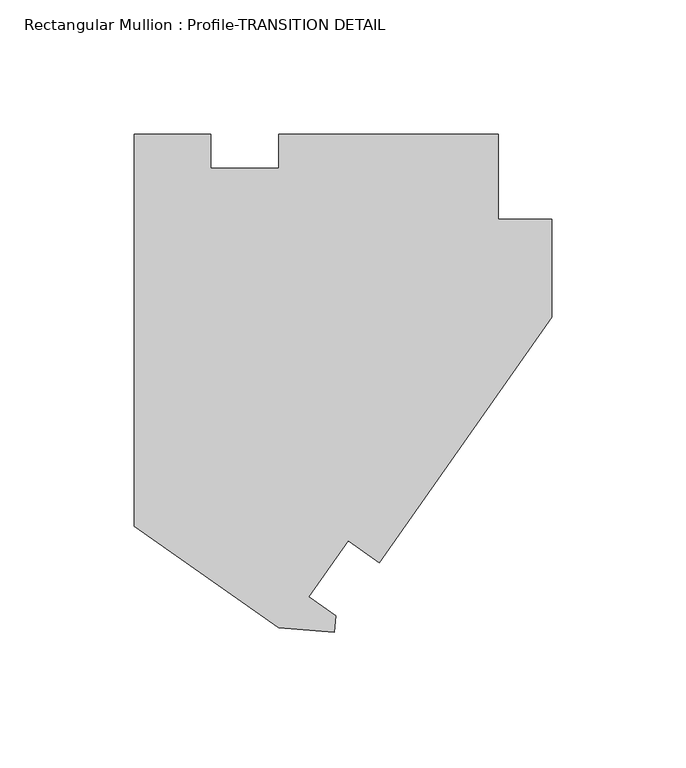
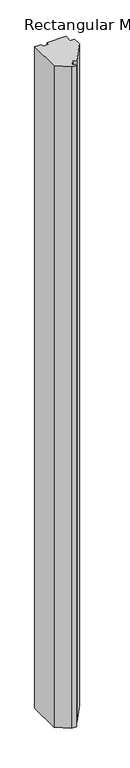
"""IFC4 building model written with IfcOpenShell, lengths in millimetres: member geometry, Rectangular Mullion : Profile-TRANSITION DETAIL."""

from ifc_helpers import new_model, si_unit, frame, origin, place, context, project, spatial, polyline, outline, extrude, source, transform, mapped, element, save


def rectangular_mullion_profile_transition_detail_b0043865(model_context):
    return source(origin(), model_context, "Body", "SweptSolid", [
        extrude(outline(polyline([(-127.0, 65.0867856), (-127.0124955, 52.3868364), (-101.6270861, 52.3868364), (-101.6270861, 65.0868364), (-19.8374, 65.0867856), (-19.8374, 33.3367856), (0.0, 33.3367856), (0.0, -3.1504049), (-64.1546544, -94.7727466), (-75.8575316, -86.5766914), (-90.4263731, -107.3831533), (-80.3947687, -114.4073583), (-80.9584879, -120.6730864), (-101.7161601, -118.8577559), (-155.5874955, -81.1366408), (-155.5874955, 65.0867856), (-127.0, 65.0867856)])), frame((0.0, 0.0, -3048.0), z_axis=(0.0, 0.0, 1.0), x_axis=(1.0, 0.0, 0.0)), (0.0, 0.0, 1.0), 3048.0),
    ])


if __name__ == "__main__":
    model = new_model("IFC4")
    model_context = context("Model", 3, world=origin())
    ifc_project = project(units=[si_unit("LENGTHUNIT", "METRE", prefix="MILLI")], contexts=[model_context])
    site = spatial("IfcSite", under=ifc_project)
    building = spatial("IfcBuilding", under=site)
    placement = place(None, origin())
    rectangular_mullion_profile_transition_detail_shape = rectangular_mullion_profile_transition_detail_b0043865(model_context)
    element("IfcMember", 1, ObjectType="Rectangular Mullion : Profile-TRANSITION DETAIL", at=placement, inside=building, context=model_context, shape_type="MappedRepresentation", body=[
        mapped(rectangular_mullion_profile_transition_detail_shape, transform((0.0, 0.0, 0.0), x_axis=(1.0, 0.0, 0.0), y_axis=(0.0, 1.0, 0.0), z_axis=(0.0, 0.0, 1.0))),
    ])
    save(model, "model.ifc")
